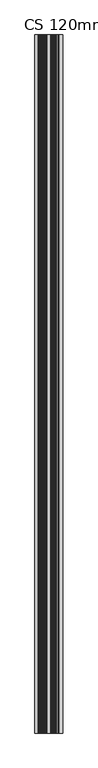
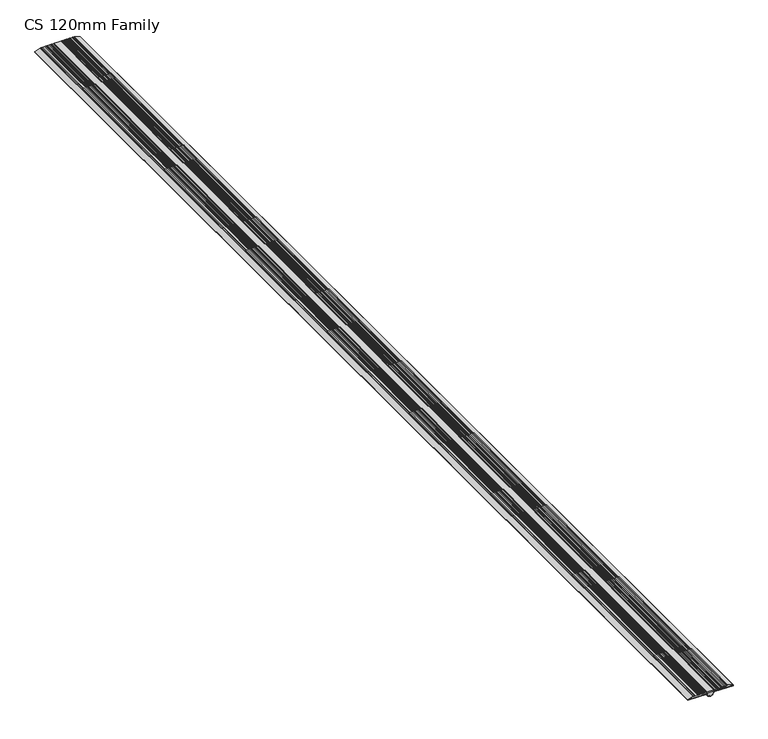
"""IFC4 building model written with IfcOpenShell, lengths in millimetres: proxy geometry, CS 120mm Family."""

from ifc_helpers import new_model, si_unit, point, frame, frame_2d, origin, place, context, project, spatial, polyline, circle_curve, trimmed, segment, composite_curve, outline, extrude, source, transform, mapped, element, save


def cs_120mm_family_34e84437(model_context):
    return source(origin(), model_context, "Body", "SweptSolid", [
        extrude(outline(composite_curve([segment(trimmed(circle_curve(frame_2d((7.3419729, -9.6397506)), 1.125225), [point((6.8521894, -8.6267139))], [point((6.8520263, -10.6527084))], True, "CARTESIAN"), True, "CONTINUOUS"), segment(polyline([(6.8520263, -10.6527084), (6.8520263, -11.6273858)]), True, "CONTINUOUS"), segment(trimmed(circle_curve(frame_2d((7.3419586, -12.6403506)), 1.125225), [point((6.8520263, -11.6273858))], [point((6.8520255, -13.6533149))], True, "CARTESIAN"), True, "CONTINUOUS"), segment(polyline([(6.8520255, -13.6533149), (6.8520255, -14.6279827)]), True, "CONTINUOUS"), segment(trimmed(circle_curve(frame_2d((7.3125885, -15.6409505)), 1.1127543), [point((6.8520255, -14.6279827))], [point((6.8520214, -16.6539165))], True, "CARTESIAN"), True, "CONTINUOUS"), segment(polyline([(6.8520214, -16.6539165), (6.8520214, -17.6285845)]), True, "CONTINUOUS"), segment(trimmed(circle_curve(frame_2d((7.341951, -18.6415506)), 1.125225), [point((6.8520214, -17.6285845))], [point((6.8520234, -19.6545176))], True, "CARTESIAN"), True, "CONTINUOUS"), segment(polyline([(6.8520234, -19.6545176), (6.8520234, -20.6291837)]), True, "CONTINUOUS"), segment(trimmed(circle_curve(frame_2d((7.3419513, -21.6421506)), 1.125225), [point((6.8520234, -20.6291837))], [point((6.8520235, -22.6551175))], True, "CARTESIAN"), True, "CONTINUOUS"), segment(polyline([(6.8520235, -22.6551175), (6.8520235, -23.6297836)]), True, "CONTINUOUS"), segment(trimmed(circle_curve(frame_2d((7.3419513, -24.6427506)), 1.125225), [point((6.8520235, -23.6297836))], [point((6.8520235, -25.6557175))], True, "CARTESIAN"), True, "CONTINUOUS"), segment(polyline([(6.8520235, -25.6557175), (6.8520235, -26.6303836)]), True, "CONTINUOUS"), segment(trimmed(circle_curve(frame_2d((7.3419513, -27.6433506)), 1.125225), [point((6.8520235, -26.6303836))], [point((6.8520235, -28.6563175))], True, "CARTESIAN"), True, "CONTINUOUS"), segment(polyline([(6.8520235, -28.6563175), (6.8520235, -29.6309836)]), True, "CONTINUOUS"), segment(trimmed(circle_curve(frame_2d((7.3419513, -30.6439506)), 1.125225), [point((6.8520235, -29.6309836))], [point((6.8520235, -31.6569175))], True, "CARTESIAN"), True, "CONTINUOUS"), segment(polyline([(6.8520235, -31.6569175), (6.8520235, -32.6315838)]), True, "CONTINUOUS"), segment(trimmed(circle_curve(frame_2d((7.3419517, -33.6445506)), 1.125225), [point((6.8520235, -32.6315838))], [point((6.8520254, -34.6575183))], True, "CARTESIAN"), True, "CONTINUOUS"), segment(polyline([(6.8520254, -34.6575183), (6.8520254, -39.3829462)]), True, "CONTINUOUS"), segment(trimmed(circle_curve(frame_2d((7.3419792, -40.3959006)), 1.125225), [point((6.8520254, -39.3829462))], [point((6.8521295, -41.4089053))], True, "CARTESIAN"), True, "CONTINUOUS"), segment(polyline([(6.8521295, -41.4089053), (6.8521295, -42.3842294)]), True, "CONTINUOUS"), segment(trimmed(circle_curve(frame_2d((7.3434942, -43.3965002)), 1.125225), [point((6.8521295, -42.3842294))], [point((6.8567227, -44.4109877))], True, "CARTESIAN"), True, "CONTINUOUS"), segment(polyline([(6.8567227, -44.4109877), (6.8567227, -45.6469502), (1.6223048, -60.0283953), (1.6223048, -26.2273269)]), True, "CONTINUOUS"), segment(trimmed(circle_curve(frame_2d((1.6223048, -24.7270269)), 1.5003), [point((1.6223048, -26.2273269))], [point((3.1226048, -24.7270269))], True, "CARTESIAN"), True, "CONTINUOUS"), segment(polyline([(3.1226048, -24.7270269), (3.1226048, 39.7858731)]), True, "CONTINUOUS"), segment(trimmed(circle_curve(frame_2d((1.6223048, 39.7858731)), 1.5003), [point((3.1226048, 39.7858731))], [point((1.6223048, 41.2861731))], True, "CARTESIAN"), True, "CONTINUOUS"), segment(polyline([(1.6223048, 41.2861731), (1.6223048, 59.9510073), (6.8733298, 45.5239347), (6.8733298, 44.2950793)]), True, "CONTINUOUS"), segment(trimmed(circle_curve(frame_2d((7.345003, 43.2734847)), 1.125225), [point((6.8733298, 44.2950793))], [point((6.8522833, 42.2618728))], True, "CARTESIAN"), True, "CONTINUOUS"), segment(polyline([(6.8522833, 42.2618728), (6.8522833, 41.2855965)]), True, "CONTINUOUS"), segment(trimmed(circle_curve(frame_2d((7.3427401, 40.2728855)), 1.125225), [point((6.8522833, 41.2855965))], [point((6.8567227, 39.2580365))], True, "CARTESIAN"), True, "CONTINUOUS"), segment(polyline([(6.8567227, 39.2580365), (6.8567227, 34.5365444)]), True, "CONTINUOUS"), segment(trimmed(circle_curve(frame_2d((7.342406, 33.5215355)), 1.125225), [point((6.8567227, 34.5365444))], [point((6.8520538, 32.508774))], True, "CARTESIAN"), True, "CONTINUOUS"), segment(polyline([(6.8520538, 32.508774), (6.8520538, 31.5339157)]), True, "CONTINUOUS"), segment(trimmed(circle_curve(frame_2d((7.3419542, 30.5209356)), 1.125225), [point((6.8520538, 31.5339157))], [point((6.8520237, 29.5079699))], True, "CARTESIAN"), True, "CONTINUOUS"), segment(polyline([(6.8520237, 29.5079699), (6.8520237, 28.5333026)]), True, "CONTINUOUS"), segment(trimmed(circle_curve(frame_2d((7.3419513, 27.5203356)), 1.125225), [point((6.8520237, 28.5333026))], [point((6.8520235, 26.5073686))], True, "CARTESIAN"), True, "CONTINUOUS"), segment(polyline([(6.8520235, 26.5073686), (6.8520235, 25.5327025)]), True, "CONTINUOUS"), segment(trimmed(circle_curve(frame_2d((7.3419513, 24.5197356)), 1.125225), [point((6.8520235, 25.5327025))], [point((6.8520235, 23.5067686))], True, "CARTESIAN"), True, "CONTINUOUS"), segment(polyline([(6.8520235, 23.5067686), (6.8520235, 22.5321025)]), True, "CONTINUOUS"), segment(trimmed(circle_curve(frame_2d((7.3419513, 21.5191356)), 1.125225), [point((6.8520235, 22.5321025))], [point((6.8520235, 20.5061686))], True, "CARTESIAN"), True, "CONTINUOUS"), segment(polyline([(6.8520235, 20.5061686), (6.8520235, 19.5315025)]), True, "CONTINUOUS"), segment(trimmed(circle_curve(frame_2d((7.3419513, 18.5185356)), 1.125225), [point((6.8520235, 19.5315025))], [point((6.8520235, 17.5055686))], True, "CARTESIAN"), True, "CONTINUOUS"), segment(polyline([(6.8520235, 17.5055686), (6.8520235, 16.5309025)]), True, "CONTINUOUS"), segment(trimmed(circle_curve(frame_2d((7.3419515, 15.5179356)), 1.1252251), [point((6.8520235, 16.5309025))], [point((6.8520235, 14.5049686))], True, "CARTESIAN"), True, "CONTINUOUS"), segment(polyline([(6.8520235, 14.5049686), (6.8520235, 13.5303024)]), True, "CONTINUOUS"), segment(trimmed(circle_curve(frame_2d((7.3419515, 12.5173356)), 1.125225), [point((6.8520235, 13.5303024))], [point((6.8520249, 11.504368))], True, "CARTESIAN"), True, "CONTINUOUS"), segment(polyline([(6.8520249, 11.504368), (6.8520249, 10.5296928)]), True, "CONTINUOUS"), segment(trimmed(circle_curve(frame_2d((7.3419727, 9.5167356)), 1.1252249), [point((6.8520249, 10.5296928))], [point((6.8521894, 8.5036989))], True, "CARTESIAN"), True, "CONTINUOUS"), segment(polyline([(6.8521894, 8.5036989), (6.8521894, -8.6267139)]), True, "CONTINUOUS")], self_intersect=False)), frame((0.0, 0.0, 0.0), z_axis=(0.0, 1.0, 0.0), x_axis=(0.0, 0.0, 1.0)), (0.0, 0.0, 1.0), 3000.0),
        extrude(outline(composite_curve([segment(polyline([(1.6223048, -8.0176258), (1.6223048, -60.0283953), (0.1220048, -60.0283953), (0.1220048, -9.6635095)]), True, "CONTINUOUS"), segment(trimmed(circle_curve(frame_2d((0.1513521, -0.6617573)), 9.0018), [point((0.1220048, -9.6635095))], [point((0.1220048, 8.3399948))], False, "CARTESIAN"), True, "CONTINUOUS"), segment(polyline([(0.1220048, 8.3399948), (0.1220048, 59.9510073), (1.6223048, 59.9510073), (1.6223048, 6.6941111)]), True, "CONTINUOUS"), segment(trimmed(circle_curve(frame_2d((0.1513521, -0.6617573)), 7.5015), [point((1.6223048, 6.6941111))], [point((1.6223048, -8.0176258))], True, "CARTESIAN"), True, "CONTINUOUS")], self_intersect=False)), frame((0.0, 0.0, 0.0), z_axis=(0.0, 1.0, 0.0), x_axis=(0.0, 0.0, 1.0)), (0.0, 0.0, 1.0), 3000.0),
    ])


if __name__ == "__main__":
    model = new_model("IFC4")
    model_context = context("Model", 3, world=origin())
    ifc_project = project(units=[si_unit("LENGTHUNIT", "METRE", prefix="MILLI")], contexts=[model_context])
    site = spatial("IfcSite", under=ifc_project)
    building = spatial("IfcBuilding", under=site)
    placement = place(None, origin())
    cs_120mm_family_shape = cs_120mm_family_34e84437(model_context)
    element("IfcBuildingElementProxy", 1, Name="CS 120mm Family", ObjectType="CS 120mm Family", at=placement, inside=building, context=model_context, shape_type="MappedRepresentation", body=[
        mapped(cs_120mm_family_shape, transform((0.0, 0.0, 0.0), x_axis=(1.0, 0.0, 0.0), y_axis=(0.0, 1.0, 0.0), z_axis=(0.0, 0.0, 1.0))),
    ])
    save(model, "model.ifc")
